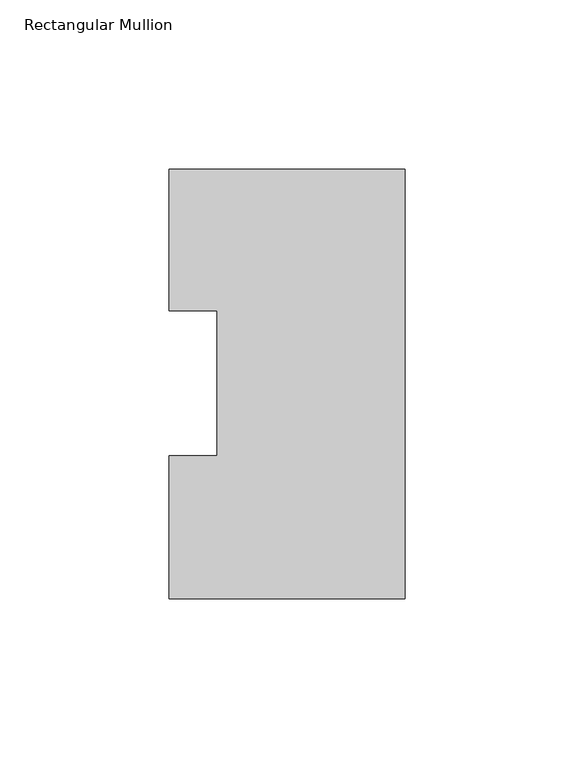
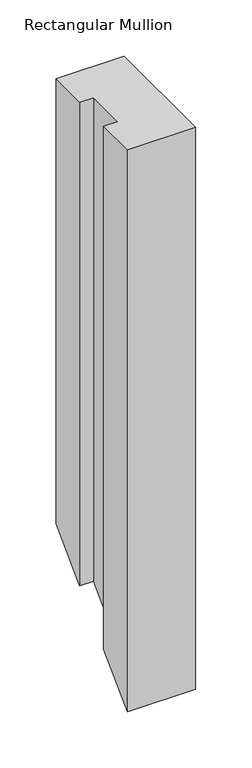
"""IFC4 building model written with IfcOpenShell, lengths in millimetres: member geometry, Rectangular Mullion."""

from ifc_helpers import new_model, si_unit, origin, place, context, project, spatial, faceted_brep, source, transform, mapped, element, save


def rectangular_mullion_12bf196f(model_context):
    return source(origin(), model_context, "Body", "Brep", [
        faceted_brep([(-69.8489149, -0.0111125, 0.0), (0.0, -0.0111125, 0.0), (0.0, 126.9888875, 0.0), (-69.8489149, 126.9888875, 0.0), (-69.8489149, 85.1296875, 0.0), (-55.5639549, 85.1296875, 0.0), (-55.5639549, 42.2798875, 0.0), (-69.8489149, 42.2798875, 0.0), (-69.8489149, -0.0111125, -609.6111125), (0.0, -0.0111125, -609.6111125), (0.0, 126.9888875, -482.6111125), (-69.8489149, 126.9888875, -482.6111125), (-69.8489149, 85.1296875, -524.4703125), (-55.5639549, 85.1296875, -524.4703125), (-55.5639549, 42.2798875, -567.3201125), (-69.8489149, 42.2798875, -567.3201125)], [[[0, 1, 2, 3, 4, 5, 6, 7]], [[1, 0, 8, 9]], [[2, 1, 9, 10]], [[3, 2, 10, 11]], [[4, 3, 11, 12]], [[5, 4, 12, 13]], [[6, 5, 13, 14]], [[7, 6, 14, 15]], [[0, 7, 15, 8]], [[8, 15, 14, 13, 12, 11, 10, 9]]]),
    ])


if __name__ == "__main__":
    model = new_model("IFC4")
    model_context = context("Model", 3, world=origin())
    ifc_project = project(units=[si_unit("LENGTHUNIT", "METRE", prefix="MILLI")], contexts=[model_context])
    site = spatial("IfcSite", under=ifc_project)
    building = spatial("IfcBuilding", under=site)
    placement = place(None, origin())
    rectangular_mullion_shape = rectangular_mullion_12bf196f(model_context)
    element("IfcMember", 1, ObjectType="Rectangular Mullion", at=placement, inside=building, context=model_context, shape_type="MappedRepresentation", body=[
        mapped(rectangular_mullion_shape, transform((0.0, 0.0, 0.0), x_axis=(1.0, 0.0, 0.0), y_axis=(0.0, 1.0, 0.0), z_axis=(0.0, 0.0, 1.0))),
    ])
    save(model, "model.ifc")
